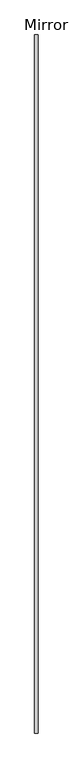
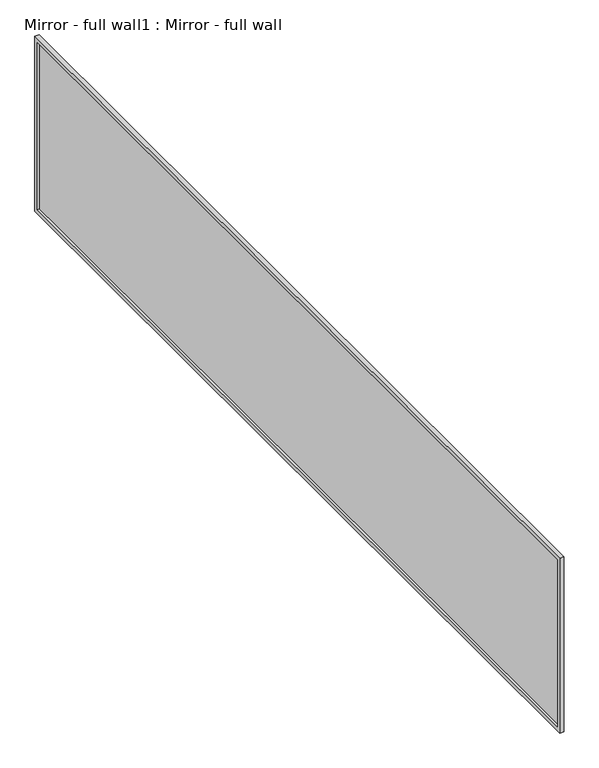
"""IFC4 building model written with IfcOpenShell, lengths in millimetres: proxy geometry, Mirror - full wall1 : Mirror - full wall."""

from ifc_helpers import new_model, si_unit, frame, origin, place, context, project, spatial, polyline, outline, extrude, source, transform, mapped, element, save


def mirror_full_wall1_mirror_full_wall_ccac0d5d(model_context):
    return source(origin(), model_context, "Body", "SweptSolid", [
        extrude(outline(polyline([(451981.6754676, -272692.9834908), (451981.6754676, -267245.2863632), (451994.3754676, -267245.2863632), (451994.3754676, -272692.9834908), (451981.6754676, -272692.9834908)])), frame((0.0, 0.0, 1041.4), z_axis=(0.0, 0.0, 1.0), x_axis=(1.0, 0.0, 0.0)), (0.0, 0.0, 1.0), 1066.8),
        extrude(outline(polyline([(-267219.8863632, 2133.6), (-267219.8863632, 1016.0), (-272718.9863632, 1016.0), (-272718.9863632, 2133.6), (-267219.8863632, 2133.6)]), holes=[polyline([(-267245.2863632, 2108.2), (-272692.9834908, 2108.2), (-272692.9834908, 1041.4), (-267245.2863632, 1041.4), (-267245.2863632, 2108.2)])]), frame((451968.9754676, 0.0, 0.0), z_axis=(1.0, 0.0, 0.0), x_axis=(0.0, 1.0, 0.0)), (0.0, 0.0, 1.0), 25.4),
    ])


if __name__ == "__main__":
    model = new_model("IFC4")
    model_context = context("Model", 3, world=origin())
    ifc_project = project(units=[si_unit("LENGTHUNIT", "METRE", prefix="MILLI")], contexts=[model_context])
    site = spatial("IfcSite", under=ifc_project)
    building = spatial("IfcBuilding", under=site)
    placement = place(None, origin())
    mirror_full_wall1_mirror_full_wall_shape = mirror_full_wall1_mirror_full_wall_ccac0d5d(model_context)
    element("IfcBuildingElementProxy", 1, Name="Mirror - full wall1 : Mirror - full wall", ObjectType="Mirror - full wall1 : Mirror - full wall", at=placement, inside=building, context=model_context, shape_type="MappedRepresentation", body=[
        mapped(mirror_full_wall1_mirror_full_wall_shape, transform((0.0, 0.0, 0.0), x_axis=(1.0, 0.0, 0.0), y_axis=(0.0, 1.0, 0.0), z_axis=(0.0, 0.0, 1.0))),
    ])
    save(model, "model.ifc")
